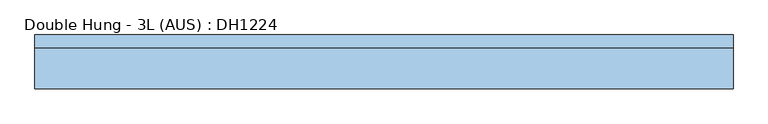
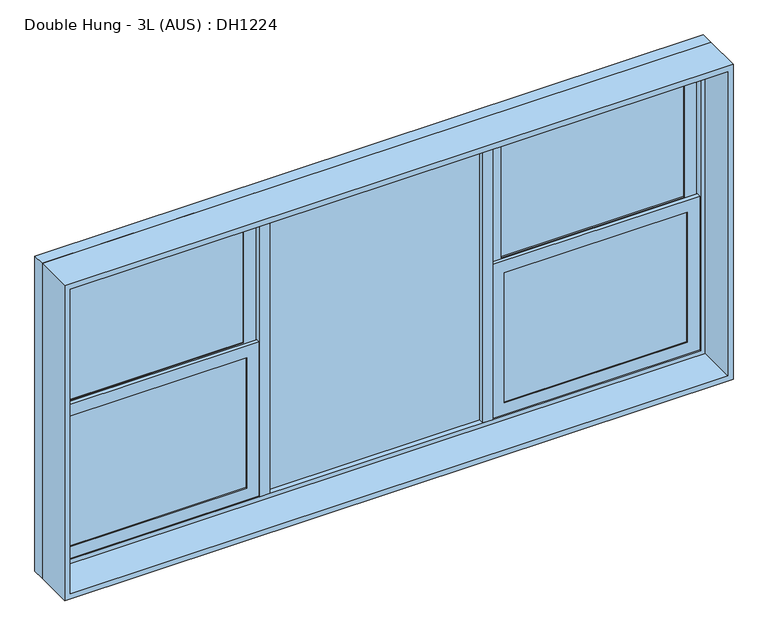
"""IFC4 building model written with IfcOpenShell, lengths in millimetres: window geometry, Double Hung - 3L (AUS) : DH1224."""

from ifc_helpers import new_model, si_unit, frame, origin, place, context, project, spatial, polyline, outline, extrude, source, transform, mapped, element, save


def double_hung_3l_aus_dh1224_cac5ae91(model_context):
    return source(origin(), model_context, "Body", "SweptSolid", [
        extrude(outline(polyline([(-797.826241, 25.5), (-138.4929077, 25.5), (-138.4929077, 19.5), (-797.826241, 19.5), (-797.826241, 25.5)])), frame((0.0, 0.0, 1522.5), z_axis=(0.0, 0.0, 1.0), x_axis=(1.0, 0.0, 0.0)), (0.0, 0.0, 1.0), 496.5),
        extrude(outline(polyline([(-797.826241, 5.4437379), (-138.4929077, 5.4437379), (-138.4929077, -0.5562621), (-797.826241, -0.5562621), (-797.826241, 5.4437379)])), frame((0.0, 0.0, 981.0), z_axis=(0.0, 0.0, 1.0), x_axis=(1.0, 0.0, 0.0)), (0.0, 0.0, 1.0), 496.5),
        extrude(outline(polyline([(709.8404256, 9.471869), (-57.4929077, 9.471869), (-57.4929077, 15.471869), (709.8404256, 15.471869), (709.8404256, 9.471869)])), frame((0.0, 0.0, 936.0), z_axis=(0.0, 0.0, 1.0), x_axis=(1.0, 0.0, 0.0)), (0.0, 0.0, 1.0), 1128.0),
        extrude(outline(polyline([(1477.5, -842.826241), (1477.5, -93.4929077), (2064.0, -93.4929077), (2064.0, -842.826241), (1477.5, -842.826241)]), holes=[polyline([(2019.0, -797.826241), (2019.0, -138.4929077), (1522.5, -138.4929077), (1522.5, -797.826241), (2019.0, -797.826241)])]), frame((0.0, 15.0, 0.0), z_axis=(0.0, 1.0, 0.0), x_axis=(0.0, 0.0, 1.0)), (0.0, 0.0, 1.0), 15.0),
        extrude(outline(polyline([(1522.5, -93.4929077), (1522.5, -842.826241), (936.0, -842.826241), (936.0, -93.4929077), (1522.5, -93.4929077)]), holes=[polyline([(981.0, -138.4929077), (981.0, -797.826241), (1477.5, -797.826241), (1477.5, -138.4929077), (981.0, -138.4929077)])]), frame((0.0, -5.0562621, 0.0), z_axis=(0.0, 1.0, 0.0), x_axis=(0.0, 0.0, 1.0)), (0.0, 0.0, 1.0), 15.0),
        extrude(outline(polyline([(-57.4929077, -10.028131), (-93.4929077, -10.028131), (-93.4929077, 34.971869), (-57.4929077, 34.971869), (-57.4929077, -10.028131)])), frame((0.0, 0.0, 936.0), z_axis=(0.0, 0.0, 1.0), x_axis=(1.0, 0.0, 0.0)), (0.0, 0.0, 1.0), 1128.0),
        extrude(outline(polyline([(790.8404256, 25.5), (1450.173759, 25.5), (1450.173759, 19.5), (790.8404256, 19.5), (790.8404256, 25.5)])), frame((0.0, 0.0, 1522.5), z_axis=(0.0, 0.0, 1.0), x_axis=(1.0, 0.0, 0.0)), (0.0, 0.0, 1.0), 496.5),
        extrude(outline(polyline([(790.8404256, 5.4437379), (1450.173759, 5.4437379), (1450.173759, -0.5562621), (790.8404256, -0.5562621), (790.8404256, 5.4437379)])), frame((0.0, 0.0, 981.0), z_axis=(0.0, 0.0, 1.0), x_axis=(1.0, 0.0, 0.0)), (0.0, 0.0, 1.0), 496.5),
        extrude(outline(polyline([(1522.5, 1495.173759), (1522.5, 745.8404256), (936.0, 745.8404256), (936.0, 1495.173759), (1522.5, 1495.173759)]), holes=[polyline([(981.0, 1450.173759), (981.0, 790.8404256), (1477.5, 790.8404256), (1477.5, 1450.173759), (981.0, 1450.173759)])]), frame((0.0, -5.0562621, 0.0), z_axis=(0.0, 1.0, 0.0), x_axis=(0.0, 0.0, 1.0)), (0.0, 0.0, 1.0), 15.0),
        extrude(outline(polyline([(1477.5, 745.8404256), (1477.5, 1495.173759), (2064.0, 1495.173759), (2064.0, 745.8404256), (1477.5, 745.8404256)]), holes=[polyline([(2019.0, 790.8404256), (2019.0, 1450.173759), (1522.5, 1450.173759), (1522.5, 790.8404256), (2019.0, 790.8404256)])]), frame((0.0, 15.0, 0.0), z_axis=(0.0, 1.0, 0.0), x_axis=(0.0, 0.0, 1.0)), (0.0, 0.0, 1.0), 15.0),
        extrude(outline(polyline([(745.8404256, -10.028131), (709.8404256, -10.028131), (709.8404256, 34.971869), (745.8404256, 34.971869), (745.8404256, -10.028131)])), frame((0.0, 0.0, 936.0), z_axis=(0.0, 0.0, 1.0), x_axis=(1.0, 0.0, 0.0)), (0.0, 0.0, 1.0), 1128.0),
        extrude(outline(polyline([(900.0, -878.826241), (900.0, 1531.173759), (2100.0, 1531.173759), (2100.0, -878.826241), (900.0, -878.826241)]), holes=[polyline([(2064.0, -842.826241), (2064.0, 1495.173759), (936.0, 1495.173759), (936.0, -842.826241), (2064.0, -842.826241)])]), frame((0.0, -10.0, 0.0), z_axis=(0.0, 1.0, 0.0), x_axis=(0.0, 0.0, 1.0)), (0.0, 0.0, 1.0), 45.0),
        extrude(outline(polyline([(900.0, -878.826241), (900.0, 1531.173759), (2100.0, 1531.173759), (2100.0, -878.826241), (900.0, -878.826241)]), holes=[polyline([(2080.0, -858.826241), (2080.0, 1511.173759), (920.0, 1511.173759), (920.0, -858.826241), (2080.0, -858.826241)])]), frame((0.0, -151.0, 0.0), z_axis=(0.0, 1.0, 0.0), x_axis=(0.0, 0.0, 1.0)), (0.0, 0.0, 1.0), 141.0),
    ])


if __name__ == "__main__":
    model = new_model("IFC4")
    model_context = context("Model", 3, world=origin())
    ifc_project = project(units=[si_unit("LENGTHUNIT", "METRE", prefix="MILLI")], contexts=[model_context])
    site = spatial("IfcSite", under=ifc_project)
    building = spatial("IfcBuilding", under=site)
    placement = place(None, origin())
    double_hung_3l_aus_dh1224_shape = double_hung_3l_aus_dh1224_cac5ae91(model_context)
    element("IfcWindow", 1, ObjectType="Double Hung - 3L (AUS) : DH1224", at=placement, inside=building, context=model_context, shape_type="MappedRepresentation", body=[
        mapped(double_hung_3l_aus_dh1224_shape, transform((0.0, 0.0, 0.0), x_axis=(1.0, 0.0, 0.0), y_axis=(0.0, 1.0, 0.0), z_axis=(0.0, 0.0, 1.0))),
    ])
    save(model, "model.ifc")
